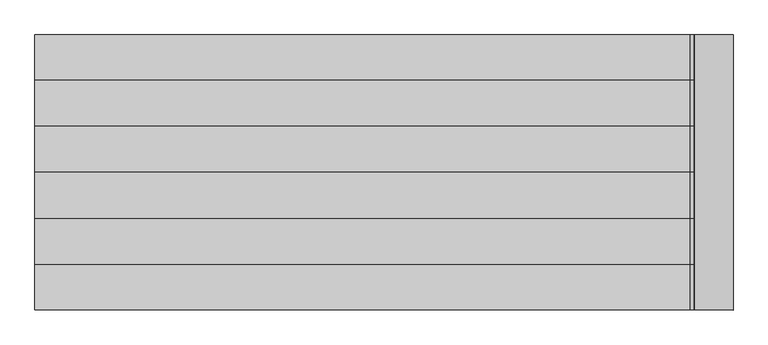
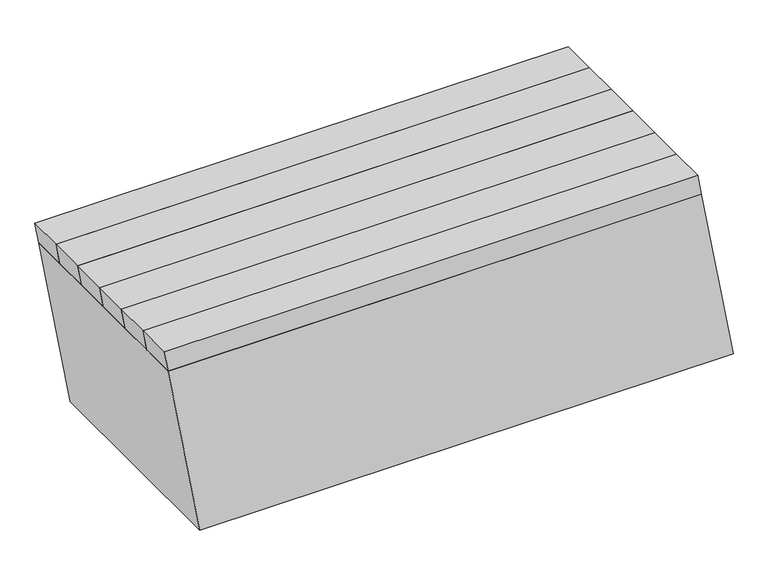
"""IFC4 building model written with IfcOpenShell, lengths in millimetres: furniture geometry."""

from ifc_helpers import new_model, si_unit, frame, origin, place, context, project, spatial, polyline, outline, extrude, faceted_brep, source, transform, mapped, element, save


def furniture_1502b23a(model_context):
    return source(origin(), model_context, "Body", "SolidModel", [
        faceted_brep([(-665.5307923, -249.9999633, 400.0), (524.4692077, -249.9999633, 400.0), (524.4692077, 250.0000367, 400.0), (-665.5307923, 250.0000367, 400.0), (404.8599588, -199.9999633, 400.0), (-545.0, -199.9999633, 400.0), (-545.0, 199.9999633, 400.0), (404.8599588, 199.9999633, 400.0), (-595.0, -250.0, 0.0), (-595.0, 250.0000367, 0.0), (595.0, 250.0000367, 0.0), (595.0, -250.0, 0.0), (-545.0, -199.9999633, 0.0), (545.0, -199.9999633, 0.0), (545.0, 199.9999633, 0.0), (-545.0, 199.9999633, 0.0), (-660.0, -243.9999633, 394.0), (-660.0, 243.9999633, 394.0), (515.9173492, 243.9999633, 394.0), (515.9173492, -243.9999633, 394.0), (-545.0, -199.9999633, 394.0), (406.9620594, -199.9999633, 394.0), (406.9620594, 199.9999633, 394.0), (-545.0, 199.9999633, 394.0), (-589.2341976, -243.9999633, 6.0), (587.4751393, -243.9999633, 6.0), (587.4751393, 243.9999633, 6.0), (-589.2341976, 243.9999633, 6.0), (542.8978994, -199.9999633, 6.0), (-545.0, -199.9999633, 6.0), (-545.0, 199.9999633, 6.0), (542.8978994, 199.9999633, 6.0)], [[[0, 1, 2, 3], [4, 5, 6, 7]], [[8, 9, 10, 11], [12, 13, 14, 15]], [[1, 0, 8, 11]], [[2, 1, 11, 10]], [[3, 2, 10, 9]], [[0, 3, 9, 8]], [[16, 17, 18, 19], [20, 21, 22, 23]], [[24, 25, 26, 27], [28, 29, 30, 31]], [[16, 19, 25, 24]], [[19, 18, 26, 25]], [[18, 17, 27, 26]], [[17, 16, 24, 27]], [[20, 5, 4, 21]], [[12, 29, 28, 13]], [[21, 4, 7, 22]], [[13, 28, 31, 14]], [[22, 7, 6, 23]], [[14, 31, 30, 15]], [[5, 20, 23, 6]], [[29, 12, 15, 30]]]),
        extrude(outline(polyline([(448.5, -674.0826508), (400.0, -665.5307923), (400.0, 524.4692077), (448.5, 515.9173492), (448.5, -674.0826508)])), frame((0.0, -249.9999633, 0.0), z_axis=(0.0, 1.0, 0.0), x_axis=(0.0, 0.0, 1.0)), (0.0, 0.0, 1.0), 81.9999944),
        extrude(outline(polyline([(448.5, -674.0826508), (400.0, -665.5307923), (400.0, 524.4692077), (448.5, 515.9173492), (448.5, -674.0826508)])), frame((0.0, -167.9999689, 0.0), z_axis=(0.0, 1.0, 0.0), x_axis=(0.0, 0.0, 1.0)), (0.0, 0.0, 1.0), 84.0),
        extrude(outline(polyline([(448.5, -674.0826508), (400.0, -665.5307923), (400.0, 524.4692077), (448.5, 515.9173492), (448.5, -674.0826508)])), frame((0.0, -83.9999689, 0.0), z_axis=(0.0, 1.0, 0.0), x_axis=(0.0, 0.0, 1.0)), (0.0, 0.0, 1.0), 83.9999689),
        extrude(outline(polyline([(448.5, -674.0826508), (400.0, -665.5307923), (400.0, 524.4692077), (448.5, 515.9173492), (448.5, -674.0826508)])), frame((0.0, 0.0, 0.0), z_axis=(0.0, 1.0, 0.0), x_axis=(0.0, 0.0, 1.0)), (0.0, 0.0, 1.0), 84.0000311),
        extrude(outline(polyline([(448.5, -674.0826508), (400.0, -665.5307923), (400.0, 524.4692077), (448.5, 515.9173492), (448.5, -674.0826508)])), frame((0.0, 84.0000311, 0.0), z_axis=(0.0, 1.0, 0.0), x_axis=(0.0, 0.0, 1.0)), (0.0, 0.0, 1.0), 84.0),
        extrude(outline(polyline([(448.5, -674.0826508), (400.0, -665.5307923), (400.0, 524.4692077), (448.5, 515.9173492), (448.5, -674.0826508)])), frame((0.0, 168.0000311, 0.0), z_axis=(0.0, 1.0, 0.0), x_axis=(0.0, 0.0, 1.0)), (0.0, 0.0, 1.0), 81.9999321),
    ])


if __name__ == "__main__":
    model = new_model("IFC4")
    model_context = context("Model", 3, world=origin())
    ifc_project = project(units=[si_unit("LENGTHUNIT", "METRE", prefix="MILLI")], contexts=[model_context])
    site = spatial("IfcSite", under=ifc_project)
    building = spatial("IfcBuilding", under=site)
    placement = place(None, origin())
    furniture_shape = furniture_1502b23a(model_context)
    element("IfcFurniture", 1, at=placement, inside=building, context=model_context, shape_type="MappedRepresentation", body=[
        mapped(furniture_shape, transform((0.0, 0.0, 0.0), x_axis=(1.0, 0.0, 0.0), y_axis=(0.0, 1.0, 0.0), z_axis=(0.0, 0.0, 1.0))),
    ])
    save(model, "model.ifc")
